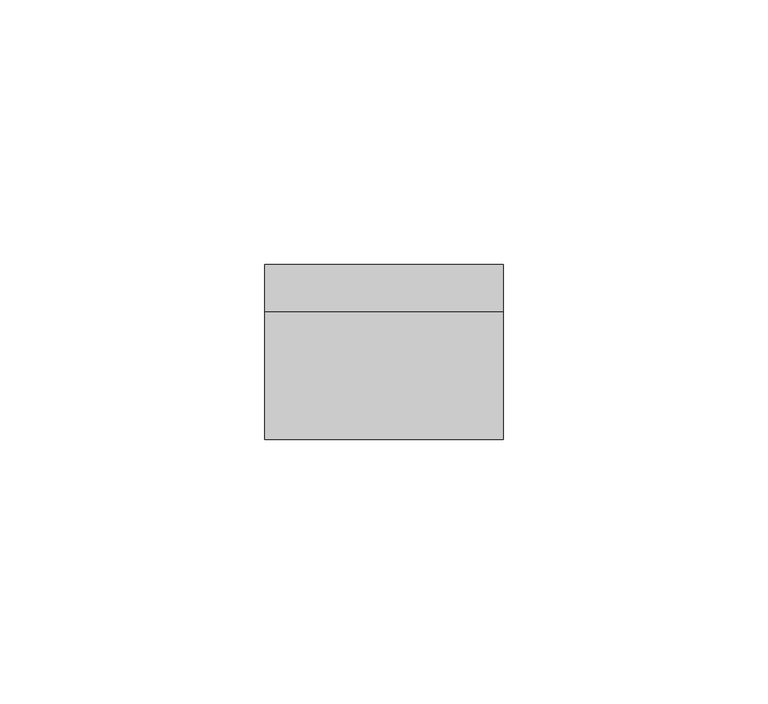
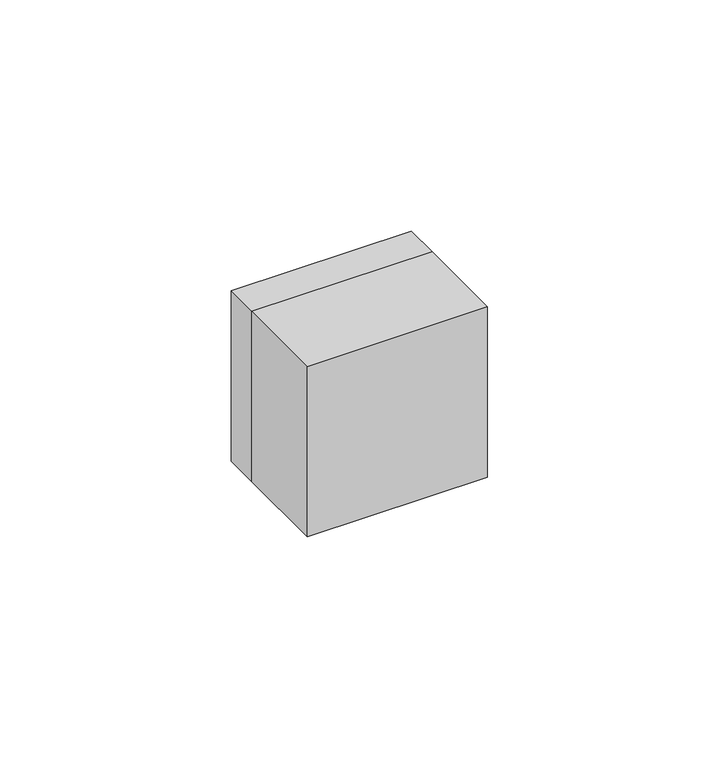
"""IFC4 building model written with IfcOpenShell, lengths in millimetres: switching device geometry."""

from ifc_helpers import new_model, si_unit, frame, origin, place, context, project, spatial, polyline, outline, extrude, source, transform, mapped, element, save


def switching_device_ae19c7dd(model_context):
    return source(origin(), model_context, "Body", "SweptSolid", [
        extrude(outline(polyline([(22.5, -24.0), (-22.5, -24.0), (-22.5, 0.0), (22.5, 0.0), (22.5, -24.0)])), frame((0.0, 0.0, -22.5), z_axis=(0.0, 0.0, 1.0), x_axis=(1.0, 0.0, 0.0)), (0.0, 0.0, 1.0), 45.0),
        extrude(outline(polyline([(22.5, 0.0), (-22.5, 0.0), (-22.5, 9.0), (22.5, 9.0), (22.5, 0.0)])), frame((0.0, 0.0, -22.5), z_axis=(0.0, 0.0, 1.0), x_axis=(1.0, 0.0, 0.0)), (0.0, 0.0, 1.0), 45.0),
    ])


if __name__ == "__main__":
    model = new_model("IFC4")
    model_context = context("Model", 3, world=origin())
    ifc_project = project(units=[si_unit("LENGTHUNIT", "METRE", prefix="MILLI")], contexts=[model_context])
    site = spatial("IfcSite", under=ifc_project)
    building = spatial("IfcBuilding", under=site)
    placement = place(None, origin())
    switching_device_shape = switching_device_ae19c7dd(model_context)
    element("IfcSwitchingDevice", 1, at=placement, inside=building, context=model_context, shape_type="MappedRepresentation", body=[
        mapped(switching_device_shape, transform((0.0, 0.0, 0.0), x_axis=(1.0, 0.0, 0.0), y_axis=(0.0, 1.0, 0.0), z_axis=(0.0, 0.0, 1.0))),
    ])
    save(model, "model.ifc")
